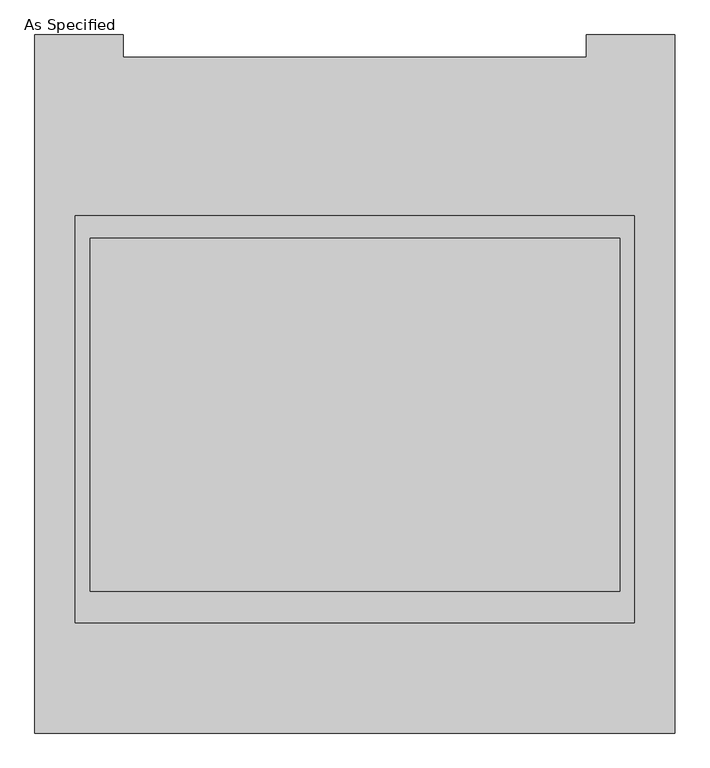
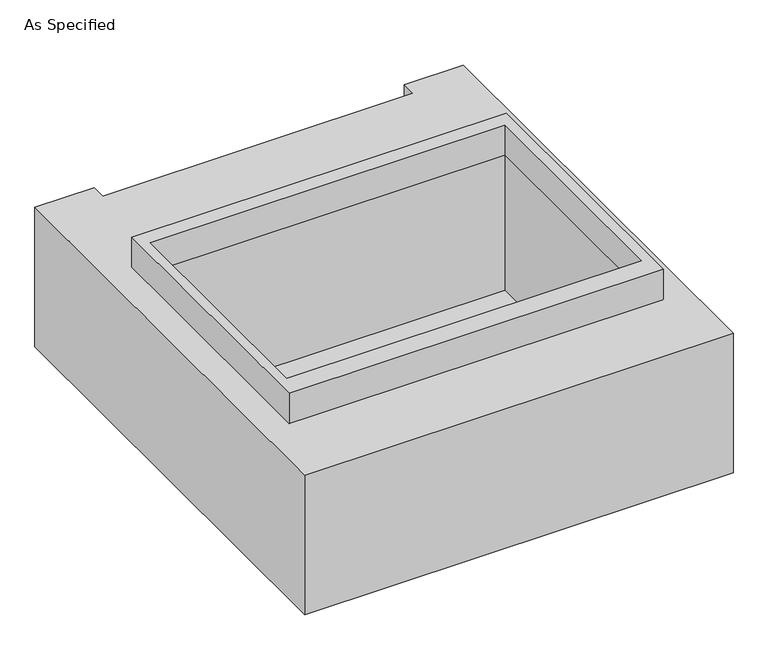
"""IFC4 building model written with IfcOpenShell, lengths in millimetres: proxy geometry, As Specified."""

import ifcopenshell
import ifcopenshell.guid

model = None  # the IFC model being written
_history = None  # IfcOwnerHistory: only IFC2X3 demands one
_inside = {}  # id of a spatial element -> (the spatial element, [elements in it])
_under = {}  # id of a project, library or spatial element -> (it, [spatial elements below it])
_declared = {}  # id of a project -> (the project, [libraries it declares])
_typed = {}  # id of a type object -> (the type object, [elements of that type])
_made_of = {}  # id of a material, layer set ... -> (it, [elements and type objects made of it])


def new_model(schema):
    """Start an empty IFC model of exactly this schema.

    Asked for "IFC4X3", IfcOpenShell would pick the latest addendum, in which some entities
    have other attributes; the version numbers below select the first issue.
    IFC2X3 requires an IfcOwnerHistory on every rooted entity: one is made here for all.
    """
    global model, _history
    if schema == "IFC4X3":
        model = ifcopenshell.file(schema_version=(4, 3, 0, 0))
    else:
        model = ifcopenshell.file(schema=schema)
    _inside.clear()
    _under.clear()
    _declared.clear()
    _typed.clear()
    _made_of.clear()
    _history = None
    if model.schema == "IFC2X3":
        org = make("IfcOrganization", Name="unknown")
        user = make(
            "IfcPersonAndOrganization",
            ThePerson=make("IfcPerson", FamilyName="unknown"),
            TheOrganization=org,
        )
        app = make(
            "IfcApplication",
            ApplicationDeveloper=org,
            Version="unknown",
            ApplicationFullName="unknown",
            ApplicationIdentifier="unknown",
        )
        _history = make(
            "IfcOwnerHistory",
            OwningUser=user,
            OwningApplication=app,
            ChangeAction="ADDED",
            CreationDate=0,
        )
    return model


def make(cls, **values):
    """One entity of the class cls with the attributes given. An attribute that is None is left unset."""
    return model.create_entity(
        cls, **{name: value for name, value in values.items() if value is not None}
    )


def rooted(cls, **values):
    """An entity with a GlobalId (a new one), such as an element, a storey or a relation."""
    return make(cls, GlobalId=ifcopenshell.guid.new(), OwnerHistory=_history, **values)


def si_unit(unit_type, name, prefix=None):
    """IfcSIUnit, for example si_unit("LENGTHUNIT", "METRE", prefix="MILLI")."""
    return make("IfcSIUnit", UnitType=unit_type, Prefix=prefix, Name=name)


def assignment(units):
    """IfcUnitAssignment: the units of a project."""
    return None if units is None else make("IfcUnitAssignment", Units=units)


def point(xyz):
    """IfcCartesianPoint."""
    return None if xyz is None else make("IfcCartesianPoint", Coordinates=xyz)


def direction(xyz):
    """IfcDirection."""
    return None if xyz is None else make("IfcDirection", DirectionRatios=xyz)


def frame(location, z_axis=None, x_axis=None):
    """IfcAxis2Placement3D, a coordinate frame: its origin and axes. An axis left out is left unset."""
    return make(
        "IfcAxis2Placement3D",
        Location=point(location),
        Axis=direction(z_axis),
        RefDirection=direction(x_axis),
    )


def origin():
    """The frame at (0, 0, 0) with its axes left unset."""
    return frame((0.0, 0.0, 0.0))


def place(relative_to, where):
    """IfcLocalPlacement: puts the frame where relative to a parent placement (None: the world)."""
    return make(
        "IfcLocalPlacement", PlacementRelTo=relative_to, RelativePlacement=where
    )


def context(
    kind, dimensions, precision=None, world=None, true_north=None, identifier=None
):
    """IfcGeometricRepresentationContext, for example the 3D "Model" context."""
    return make(
        "IfcGeometricRepresentationContext",
        ContextIdentifier=identifier,
        ContextType=kind,
        CoordinateSpaceDimension=dimensions,
        Precision=precision,
        WorldCoordinateSystem=world,
        TrueNorth=true_north,
    )


def project(units=None, contexts=None):
    """IfcProject with its units and contexts."""
    return rooted(
        "IfcProject",
        Name="project",
        RepresentationContexts=contexts,
        UnitsInContext=assignment(units),
    )


def spatial(cls, under=None, at=None, **own):
    """A site, building, storey or space (cls), placed at a placement, below another one or the project."""
    s = rooted(cls, ObjectPlacement=at, **own)
    if under is not None:
        _under.setdefault(under.id(), (under, []))[1].append(s)
    return s


def polyline(points):
    """IfcPolyline through the points."""
    return make("IfcPolyline", Points=[point(p) for p in points])


def outline(outer, holes=None, kind="AREA"):
    """IfcArbitraryClosedProfileDef: a profile drawn as a closed curve; with holes, ...WithVoids."""
    if holes is None:
        return make("IfcArbitraryClosedProfileDef", ProfileType=kind, OuterCurve=outer)
    return make(
        "IfcArbitraryProfileDefWithVoids",
        ProfileType=kind,
        OuterCurve=outer,
        InnerCurves=holes,
    )


def extrude(swept, where, along, depth):
    """IfcExtrudedAreaSolid: the profile swept, set in the frame where, extruded along a direction by depth."""
    return make(
        "IfcExtrudedAreaSolid",
        SweptArea=swept,
        Position=where,
        ExtrudedDirection=direction(along),
        Depth=depth,
    )


def faces_of(points, faces, orient=None, outer=None):
    """IfcFace entities. A face is a list of loops; a loop is a list of indices into points, from 0.

    orient and outer hold one flag for each loop. By default every Orientation is true, the
    first loop of a face is its IfcFaceOuterBound and the others are IfcFaceBound.
    """
    made = []
    for i, loops in enumerate(faces):
        bounds = []
        for j, loop in enumerate(loops):
            is_outer = j == 0 if outer is None else outer[i][j]
            bounds.append(
                make(
                    "IfcFaceOuterBound" if is_outer else "IfcFaceBound",
                    Bound=make("IfcPolyLoop", Polygon=[points[k] for k in loop]),
                    Orientation=True if orient is None else orient[i][j],
                )
            )
        made.append(make("IfcFace", Bounds=bounds))
    return made


def faceted_brep(points, faces, orient=None, outer=None, voids=None):
    """IfcFacetedBrep: a solid bounded by flat faces; with voids (closed shells), ...WithVoids."""
    shared = [point(p) for p in points]
    hull = make("IfcClosedShell", CfsFaces=faces_of(shared, faces, orient, outer))
    if voids is None:
        return make("IfcFacetedBrep", Outer=hull)
    return make(
        "IfcFacetedBrepWithVoids",
        Outer=hull,
        Voids=[
            make(cls, CfsFaces=faces_of(shared, fs, o, b)) for cls, fs, o, b in voids
        ],
    )


def shape(context_of_items, identifier, shape_type, items):
    """IfcShapeRepresentation: the items that make up one representation, for example the "Body"."""
    return make(
        "IfcShapeRepresentation",
        ContextOfItems=context_of_items,
        RepresentationIdentifier=identifier,
        RepresentationType=shape_type,
        Items=items,
    )


def source(mapping_origin, context_of_items, identifier, shape_type, items):
    """IfcRepresentationMap: a shape defined once, which mapped items show again and again."""
    return make(
        "IfcRepresentationMap",
        MappingOrigin=mapping_origin,
        MappedRepresentation=shape(context_of_items, identifier, shape_type, items),
    )


def transform(
    local_origin,
    x_axis=None,
    y_axis=None,
    z_axis=None,
    scale=None,
    scale2=None,
    scale3=None,
    uniform=True,
):
    """IfcCartesianTransformationOperator3D, or its non-uniform kind. x_axis, y_axis, z_axis: its Axis1, 2, 3."""
    if uniform:
        return make(
            "IfcCartesianTransformationOperator3D",
            Axis1=direction(x_axis),
            Axis2=direction(y_axis),
            LocalOrigin=point(local_origin),
            Scale=scale,
            Axis3=direction(z_axis),
        )
    return make(
        "IfcCartesianTransformationOperator3DnonUniform",
        Axis1=direction(x_axis),
        Axis2=direction(y_axis),
        LocalOrigin=point(local_origin),
        Scale=scale,
        Axis3=direction(z_axis),
        Scale2=scale2,
        Scale3=scale3,
    )


def mapped(mapping_source, mapping_target):
    """IfcMappedItem: shows the shape of a source again, moved by a transform."""
    return make(
        "IfcMappedItem", MappingSource=mapping_source, MappingTarget=mapping_target
    )


def made_of(thing, what):
    """Note that an element or type object is made of a material, layer set ...; save() writes the relation."""
    if what is not None:
        _made_of.setdefault(what.id(), (what, []))[1].append(thing)
    return thing


def element(
    cls,
    number,
    at=None,
    inside=None,
    cuts=None,
    type_object=None,
    material=None,
    context=None,
    identifier="Body",
    shape_type=None,
    held_by="IfcProductDefinitionShape",
    body=None,
    shapes=None,
    **own,
):
    """One element of the class cls, such as IfcWall. Its Tag is "e" and its number.

    at: its placement. inside: the storey or other place that contains it. cuts: it is an
    opening in that element (IfcRelVoidsElement). A single representation is given by context,
    identifier, shape_type and body (its items); several are given by shapes. held_by: the class
    of the entity that holds the representations. save() writes the other relations.
    """
    e = rooted(cls, Tag="e%d" % number, ObjectPlacement=at, **own)
    if body is not None:
        shapes = [shape(context, identifier, shape_type, body)]
    if shapes is not None:
        e.Representation = make(held_by, Representations=shapes)
    if inside is not None:
        _inside.setdefault(inside.id(), (inside, []))[1].append(e)
    if cuts is not None:
        rooted(
            "IfcRelVoidsElement", RelatingBuildingElement=cuts, RelatedOpeningElement=e
        )
    if type_object is not None:
        _typed.setdefault(type_object.id(), (type_object, []))[1].append(e)
    return made_of(e, material)


def aggregate(whole, parts):
    """IfcRelAggregates: a whole, such as a stair, and the parts it consists of."""
    return rooted("IfcRelAggregates", RelatingObject=whole, RelatedObjects=parts)


def save(model, path):
    """Write the relations noted so far, then the file.

    IfcRelAggregates (storeys below a building ...), IfcRelContainedInSpatialStructure (elements
    in a storey), IfcRelDefinesByType, IfcRelAssociatesMaterial and IfcRelDeclares: one each for
    every whole, place, type object, material and project.
    """
    for whole, parts in _under.values():
        aggregate(whole, parts)
    for where, things in _inside.values():
        rooted(
            "IfcRelContainedInSpatialStructure",
            RelatedElements=things,
            RelatingStructure=where,
        )
    for kind, things in _typed.values():
        rooted("IfcRelDefinesByType", RelatedObjects=things, RelatingType=kind)
    for what, things in _made_of.values():
        rooted("IfcRelAssociatesMaterial", RelatedObjects=things, RelatingMaterial=what)
    for by, libraries in _declared.values():
        rooted("IfcRelDeclares", RelatingContext=by, RelatedDefinitions=libraries)
    model.write(path)


def as_specified_82bcce31(model_context):
    return source(origin(), model_context, "Body", "SolidModel", [
        faceted_brep([(-1104.9, -1166.415625, -787.4), (-1104.9, -1166.415625, -25.4), (-1104.9, 1242.774375, -25.4), (-1104.9, 1242.774375, -787.4), (-800.1, 1242.774375, -787.4), (-800.1, 1242.774375, -25.4), (-800.1, 1166.415625, -787.4), (-800.1, 1166.415625, -25.4), (800.1, 1166.415625, -787.4), (800.1, 1242.774375, -787.4), (1104.9, 1242.774375, -787.4), (1104.9, -1166.415625, -787.4), (1104.9, -1166.415625, -25.4), (1104.9, 1242.774375, -25.4), (800.1, 1242.774375, -25.4), (800.1, 1166.415625, -25.4), (914.4, 541.7740625, -25.4), (914.4, -677.4259375, -25.4), (-914.4, -677.4259375, -25.4), (-914.4, 541.7740625, -25.4), (914.4, 541.7740625, -762.0), (-914.4, 541.7740625, -762.0), (-914.4, -677.4259375, -762.0), (914.4, -677.4259375, -762.0)], [[[0, 1, 2, 3]], [[4, 3, 2, 5]], [[6, 4, 5, 7]], [[3, 4, 6, 8, 9, 10, 11, 0]], [[7, 5, 2, 1, 12, 13, 14, 15], [16, 17, 18, 19]], [[6, 7, 15, 8]], [[1, 0, 11, 12]], [[20, 21, 22, 23]], [[20, 23, 17, 16]], [[23, 22, 18, 17]], [[22, 21, 19, 18]], [[21, 20, 16, 19]], [[11, 10, 13, 12]], [[10, 9, 14, 13]], [[9, 8, 15, 14]]]),
        extrude(outline(polyline([(965.2, 617.934375), (965.2, -785.415625), (-965.2, -785.415625), (-965.2, 617.934375), (965.2, 617.934375)]), holes=[polyline([(-914.4, 541.7740625), (-914.4, -677.4259375), (914.4, -677.4259375), (914.4, 541.7740625), (-914.4, 541.7740625)])]), frame((0.0, 0.0, -762.0), z_axis=(0.0, 0.0, 1.0), x_axis=(1.0, 0.0, 0.0)), (0.0, 0.0, 1.0), 901.7),
    ])


if __name__ == "__main__":
    model = new_model("IFC4")
    model_context = context("Model", 3, world=origin())
    ifc_project = project(units=[si_unit("LENGTHUNIT", "METRE", prefix="MILLI")], contexts=[model_context])
    site = spatial("IfcSite", under=ifc_project)
    building = spatial("IfcBuilding", under=site)
    placement = place(None, origin())
    as_specified_shape = as_specified_82bcce31(model_context)
    element("IfcBuildingElementProxy", 1, Name="As Specified", ObjectType="As Specified", at=placement, inside=building, context=model_context, shape_type="MappedRepresentation", body=[
        mapped(as_specified_shape, transform((0.0, 0.0, 0.0), x_axis=(1.0, 0.0, 0.0), y_axis=(0.0, 1.0, 0.0), z_axis=(0.0, 0.0, 1.0))),
    ])
    save(model, "model.ifc")
